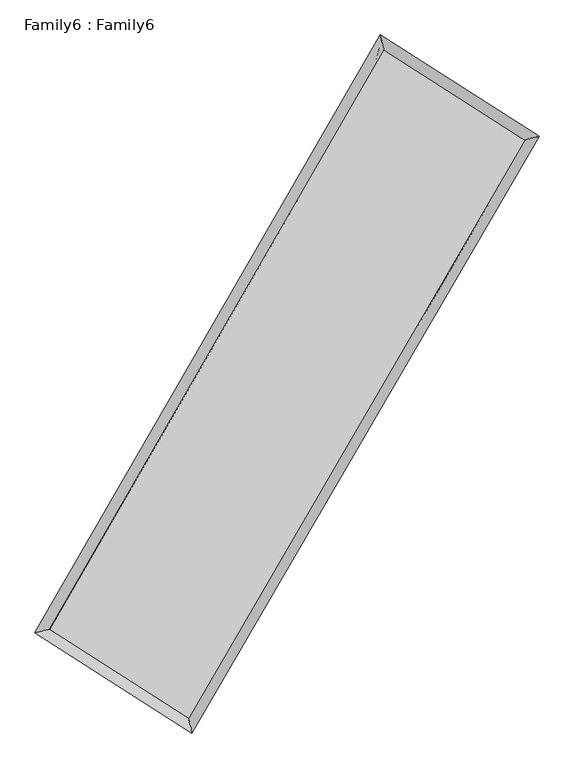
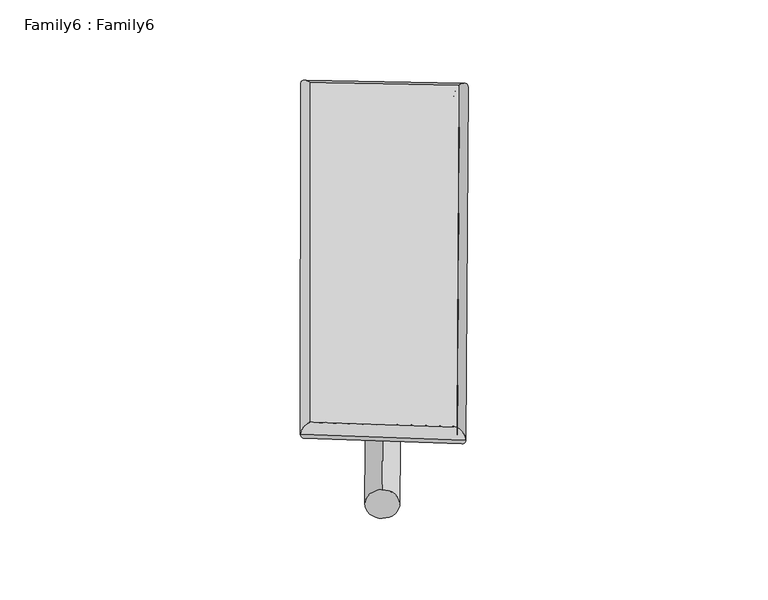
"""IFC4 building model written with IfcOpenShell, lengths in millimetres: plate geometry, Family6 : Family6."""

from ifc_helpers import new_model, si_unit, point, frame, origin, origin_2d, place, context, project, spatial, circle_curve, ellipse_curve, trimmed, segment, composite_curve, outline, extrude, source, transform, mapped, element, save
from ifc_brep_helpers import plane_surface, cylinder_surface, spline_surface, advanced_brep


def family6_family6_117bf450(model_context):
    return source(origin(), model_context, "Body", "SolidModel", [
        extrude(outline(composite_curve([segment(trimmed(circle_curve(origin_2d(), 76.2), [point((-75.4341514, -10.7763073))], [point((75.4341514, 10.7763073))], False, "CARTESIAN"), True, "CONTINUOUS"), segment(trimmed(circle_curve(origin_2d(), 76.2), [point((75.4341514, 10.7763073))], [point((-75.4341514, -10.7763073))], False, "CARTESIAN"), True, "CONTINUOUS")], self_intersect=False)), frame((9144.0, 9144.0, 0.0), z_axis=(0.671706956755503, 0.686744413950753, 0.2778342566237967), x_axis=(-0.679233886513857, 0.7206249129818832, -0.13907214746718452)), (0.0, 0.0, 1.0), 5530.1007107),
        extrude(outline(composite_curve([segment(trimmed(circle_curve(origin_2d(), 76.2), [point((-53.8815368, 53.8815367))], [point((53.8815368, -53.8815367))], False, "CARTESIAN"), True, "CONTINUOUS"), segment(trimmed(circle_curve(origin_2d(), 76.2), [point((53.8815368, -53.8815367))], [point((-53.8815368, 53.8815367))], False, "CARTESIAN"), True, "CONTINUOUS")], self_intersect=False)), frame((9144.0, 9144.0, 0.0), z_axis=(-0.6697651645820881, -0.68857797728556, 0.27798380080439095), x_axis=(0.6454910820300407, -0.3548070044853659, 0.6763529053591838)), (0.0, 0.0, 1.0), 5527.1761669),
        extrude(outline(composite_curve([segment(trimmed(circle_curve(origin_2d(), 76.2), [point((-53.8815367, -53.8815367))], [point((53.8815367, 53.8815367))], False, "CARTESIAN"), True, "CONTINUOUS"), segment(trimmed(circle_curve(origin_2d(), 76.2), [point((53.8815367, 53.8815367))], [point((-53.8815367, -53.8815367))], False, "CARTESIAN"), True, "CONTINUOUS")], self_intersect=False)), frame((9144.0, 9144.0, 0.0), z_axis=(0.2679774486507172, 0.9253951158703444, 0.2680148625318458), x_axis=(-0.8404305323161079, 0.360547507144535, -0.4045763406858156)), (0.0, 0.0, 1.0), 5629.5788319),
        extrude(outline(composite_curve([segment(trimmed(circle_curve(origin_2d(), 76.2), [point((-75.4341514, 10.7763073))], [point((75.4341514, -10.7763073))], False, "CARTESIAN"), True, "CONTINUOUS"), segment(trimmed(circle_curve(origin_2d(), 76.2), [point((75.4341514, -10.7763073))], [point((-75.4341514, 10.7763073))], False, "CARTESIAN"), True, "CONTINUOUS")], self_intersect=False)), frame((9144.0, 9144.0, 0.0), z_axis=(-0.27026804291469303, -0.9246695246110994, 0.26821904338533686), x_axis=(0.8803693962048774, -0.12457299457002016, 0.45763664106987484)), (0.0, 0.0, 1.0), 5624.5041412),
        advanced_brep(
        [(5237.2646766, 5288.2301393, 1534.3324821), (5237.2422265, 5288.1965335, 1539.2084362), (5646.9152132, 5387.9862905, 1538.5983951), (10704.7419402, 14139.2824617, 1511.7541168), (10600.4584045, 14567.8870492, 1505.8674767), (5646.9376634, 5388.0198963, 1533.722441), (12653.4300891, 12892.1445384, 1536.1706106), (13063.7841488, 12991.3870049, 1536.7322294), (7572.0603063, 4157.2009438, 1509.1342952), (7675.6922404, 3729.1839153, 1508.0639454)],
        [
            (0, 1, ellipse_curve(frame((5442.0899449, 5338.1082149, 1536.4654386), z_axis=(-0.23665248562225807, 0.9715781834676052, 0.005606644147388772), x_axis=(-0.971534805129936, -0.23669793129943378, 0.009706273214043862)), 210.8595057, 152.4)),
            (1, 2, ellipse_curve(frame((5442.0899449, 5338.1082149, 1536.4654386), z_axis=(-0.23665248562225807, 0.9715781834676052, 0.005606644147388772), x_axis=(-0.971534805129936, -0.23669793129943378, 0.009706273214043862)), 210.8595057, 152.4)),
            (2, 3),
            (3, 4, ellipse_curve(frame((10652.6001724, 14353.5847554, 1508.8107967), z_axis=(-0.9716189327216167, -0.23648253475315817, -0.005714922014171988), x_axis=(0.23642579943730746, -0.9716065996119885, 0.00913547759340075)), 220.5761631, 152.4)),
            (4, 0),
            (2, 5, ellipse_curve(frame((5442.0899449, 5338.1082149, 1536.4654386), z_axis=(-0.23665248562225807, 0.9715781834676052, 0.005606644147388772), x_axis=(-0.971534805129936, -0.23669793129943378, 0.009706273214043862)), 210.8595057, 152.4)),
            (5, 0, ellipse_curve(frame((5442.0899449, 5338.1082149, 1536.4654386), z_axis=(-0.23665248562225807, 0.9715781834676052, 0.005606644147388772), x_axis=(-0.971534805129936, -0.23669793129943378, 0.009706273214043862)), 210.8595057, 152.4)),
            (4, 3, ellipse_curve(frame((10652.6001724, 14353.5847554, 1508.8107967), z_axis=(-0.9716189327216167, -0.23648253475315817, -0.005714922014171988), x_axis=(0.23642579943730746, -0.9716065996119885, 0.00913547759340075)), 220.5761631, 152.4)),
            (3, 6),
            (6, 7, ellipse_curve(frame((12858.607119, 12941.7657717, 1536.45142), z_axis=(-0.23505854788224176, 0.9719659013825607, -0.0054557874847085755), x_axis=(-0.9719237031459868, -0.23510199646849564, -0.009558583551928953)), 211.0988653, 152.4)),
            (7, 4),
            (7, 6, ellipse_curve(frame((12858.607119, 12941.7657717, 1536.45142), z_axis=(-0.23505854788224176, 0.9719659013825607, -0.0054557874847085755), x_axis=(-0.9719237031459868, -0.23510199646849564, -0.009558583551928953)), 211.0988653, 152.4)),
            (6, 8),
            (8, 9, ellipse_curve(frame((7623.8762734, 3943.1924296, 1508.5991203), z_axis=(0.9718976174906941, 0.2353314817883777, -0.0058407872071372215), x_axis=(-0.2352724679794244, 0.9718848922901003, 0.009307091335698611)), 220.1983625, 152.4)),
            (9, 7),
            (9, 8, ellipse_curve(frame((7623.8762734, 3943.1924296, 1508.5991203), z_axis=(0.9718976174906941, 0.2353314817883777, -0.0058407872071372215), x_axis=(-0.2352724679794244, 0.9718848922901003, 0.009307091335698611)), 220.1983625, 152.4)),
            (8, 5),
            (1, 9),
        ],
        [
            cylinder_surface(frame((5442.0899449, 5338.1082149, 1536.4654386), z_axis=(-0.5003887403681264, -0.8657967747923625, 0.0026557996805469776), x_axis=(-0.8657034446876375, 0.5002840816806936, -0.01653431198640557)), 152.4),
            cylinder_surface(frame((10652.6001724, 14353.5847554, 1508.8107967), z_axis=(-0.8422289139328323, 0.5390167837890376, -0.010552882508778486), x_axis=(0.5391018816904765, 0.8421999431656794, -0.008271450266681756)), 152.4),
            cylinder_surface(frame((12858.607119, 12941.7657717, 1536.45142), z_axis=(0.5028341696831047, 0.8643787595393904, 0.0026754170231107727), x_axis=(0.8643825988108961, -0.5028341696831047, -0.0007215760695022593)), 152.4),
            cylinder_surface(frame((7623.8762734, 3943.1924296, 1508.5991203), z_axis=(0.8424728089352184, -0.538631397841051, -0.010760272515064446), x_axis=(-0.5385766728283852, -0.8425412317665, 0.007709750871170828)), 152.4),
        ],
        [
            (0, [[1, 2, 3, 4, 5]]),
            (0, [[6, 7, -5, 8, -3]]),
            (1, [[-4, 9, 10, 11]]),
            (1, [[-8, -11, 12, -9]]),
            (2, [[-10, 13, 14, 15]]),
            (2, [[-12, -15, 16, -13]]),
            (3, [[-14, 17, -6, -2, 18]]),
            (3, [[-16, -18, -1, -7, -17]]),
        ],
    ),
        extrude(outline(composite_curve([segment(trimmed(circle_curve(origin_2d(), 304.8), [point((1e-07, 304.8))], [point((0.0, -304.8))], False, "CARTESIAN"), True, "CONTINUOUS"), segment(trimmed(circle_curve(origin_2d(), 304.8), [point((0.0, -304.8))], [point((1e-07, 304.8))], False, "CARTESIAN"), True, "CONTINUOUS")], self_intersect=False)), frame((11776.376076, 13650.3600973, -0.0033683), z_axis=(-0.5043950431947065, -0.8634730108116836, 6.454044983870726e-07), x_axis=(-0.8634730108119071, 0.5043950431947064, -1.746946845772714e-07)), (0.0, 0.0, 1.0), 10437.7555312),
        advanced_brep(
        [(5442.0899449, 5338.1082149, 1536.4654386), (7623.8762734, 3943.1924296, 1508.5991203), (7623.8732696, 3943.1925259, 1660.9991202), (5442.0869412, 5338.1083112, 1688.8654386), (12858.607119, 12941.7657717, 1536.45142), (12858.6041152, 12941.765868, 1688.85142), (10652.6001724, 14353.5847554, 1508.8107967), (10652.5971686, 14353.5848517, 1661.2107967)],
        [
            (0, 1),
            (1, 2),
            (2, 3),
            (3, 0),
            (1, 4),
            (4, 5),
            (5, 2),
            (4, 6),
            (6, 7),
            (7, 5),
            (6, 0),
            (3, 7),
        ],
        [
            plane_surface(frame((6532.9831091, 4640.6503222, 1522.5322794), z_axis=(-0.5386626742555584, -0.8425215268835288, -1.0084520156392399e-05), x_axis=(0.8424728089352185, -0.538631397841051, -0.010760272515064454))),
            plane_surface(frame((10241.2416962, 8442.4791006, 1522.5252701), z_axis=(0.8643818296284413, -0.5028360093579364, 1.735436743835277e-05), x_axis=(0.5028341696831048, 0.8643787595393904, 0.0026754170231107688))),
            plane_surface(frame((11755.6036457, 13647.6752636, 1522.6311084), z_axis=(0.5390467099111033, 0.8422758719280528, 1.0092244589349382e-05), x_axis=(-0.8422289139328321, 0.5390167837890376, -0.010552882508778488))),
            plane_surface(frame((8047.3450586, 9845.8464852, 1522.6381177), z_axis=(-0.8657998511258185, 0.5003904650254836, -1.738077097148804e-05), x_axis=(-0.5003887403681267, -0.8657967747923623, 0.002655799680546972))),
            spline_surface(1, 1, [[(7623.8732696, 3943.1925259, 1660.9991202), (5442.0869412, 5338.1083112, 1688.8654386)], [(12858.6041152, 12941.765868, 1688.85142), (10652.5971686, 14353.5848517, 1661.2107967)]], [2, 2], [2, 2], [0.0, 1.0], [0.0, 1.0]),
            spline_surface(1, 1, [[(10652.6001724, 14353.5847554, 1508.8107967), (5442.0899449, 5338.1082149, 1536.4654386)], [(12858.607119, 12941.7657717, 1536.45142), (7623.8762734, 3943.1924296, 1508.5991203)]], [2, 2], [2, 2], [0.0, 1.0], [0.0, 1.0]),
        ],
        [
            (0, [[1, 2, 3, 4]]),
            (1, [[5, 6, 7, -2]]),
            (2, [[8, 9, 10, -6]]),
            (3, [[11, -4, 12, -9]]),
            (4, [[-3, -7, -10, -12]]),
            (5, [[-11, -8, -5, -1]]),
        ],
    ),
    ])


if __name__ == "__main__":
    model = new_model("IFC4")
    model_context = context("Model", 3, world=origin())
    ifc_project = project(units=[si_unit("LENGTHUNIT", "METRE", prefix="MILLI")], contexts=[model_context])
    site = spatial("IfcSite", under=ifc_project)
    building = spatial("IfcBuilding", under=site)
    placement = place(None, origin())
    family6_family6_shape = family6_family6_117bf450(model_context)
    element("IfcPlate", 1, ObjectType="Family6 : Family6", at=placement, inside=building, context=model_context, shape_type="MappedRepresentation", body=[
        mapped(family6_family6_shape, transform((0.0, 0.0, 0.0), x_axis=(1.0, 0.0, 0.0), y_axis=(0.0, 1.0, 0.0), z_axis=(0.0, 0.0, 1.0))),
    ])
    save(model, "model.ifc")
